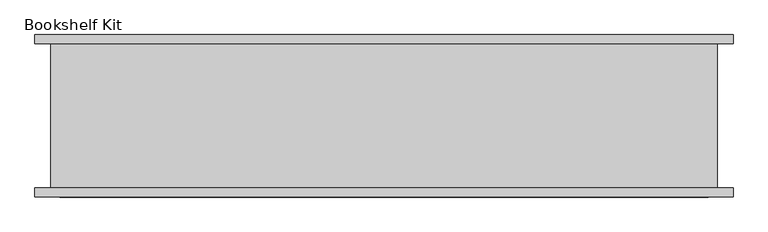
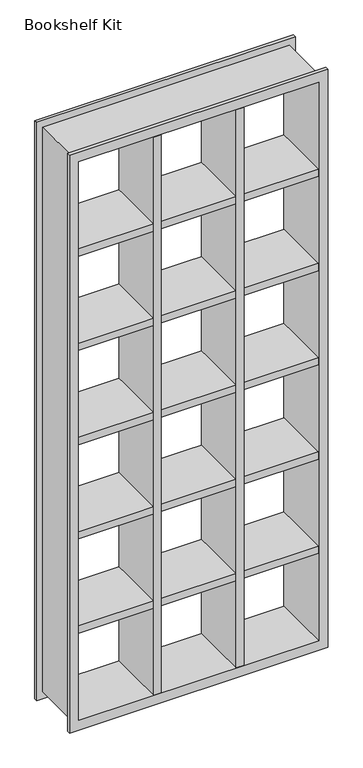
"""IFC4 building model written with IfcOpenShell, lengths in millimetres: proxy geometry, Bookshelf Kit."""

from ifc_helpers import new_model, si_unit, frame, origin, place, context, project, spatial, polyline, outline, extrude, faceted_brep, source, transform, mapped, element, save


def bookshelf_kit_4247df9f(model_context):
    return source(origin(), model_context, "Body", "SolidModel", [
        faceted_brep([(-618.3338588, -10.97958, 3012.6), (-618.3338588, 255.82042, 3012.6), (-618.3338588, 255.82042, 35.4), (-618.3338588, -10.97958, 35.4), (-601.7338588, 272.42042, 2996.0), (-601.7338588, -27.57958, 2996.0), (-601.7338588, -27.57958, 52.0), (-601.7338588, 272.42042, 52.0), (-647.7338588, 272.42042, 0.0), (642.6105412, 272.42042, 0.0), (642.6105412, 255.82042, 0.0), (-647.7338588, 255.82042, 0.0), (613.2105412, 255.82042, 35.4), (613.2105412, -10.97958, 35.4), (-647.7338588, -10.97958, 0.0), (642.6105412, -10.97958, 0.0), (642.6105412, -27.57958, 0.0), (-647.7338588, -27.57958, 0.0), (596.6105412, -27.57958, 52.0), (596.6105412, 272.42042, 52.0), (613.2105412, 255.82042, 3012.6), (613.2105412, -10.97958, 3012.6), (596.6105412, -27.57958, 2996.0), (596.6105412, 272.42042, 2996.0), (-647.7338588, 272.42042, 3048.0), (642.6105412, 272.42042, 3048.0), (-647.7338588, 255.82042, 3048.0), (642.6105412, 255.82042, 3048.0), (-647.7338588, -10.97958, 3048.0), (642.6105412, -10.97958, 3048.0), (-647.7338588, -27.57958, 3048.0), (642.6105412, -27.57958, 3048.0)], [[[0, 1, 2, 3]], [[4, 5, 6, 7]], [[8, 9, 10, 11]], [[3, 2, 12, 13]], [[14, 15, 16, 17]], [[7, 6, 18, 19]], [[13, 12, 20, 21]], [[19, 18, 22, 23]], [[9, 8, 24, 25], [4, 7, 19, 23]], [[25, 24, 26, 27]], [[11, 10, 27, 26], [2, 1, 20, 12]], [[1, 0, 21, 20]], [[15, 14, 28, 29], [0, 3, 13, 21]], [[29, 28, 30, 31]], [[17, 16, 31, 30], [6, 5, 22, 18]], [[5, 4, 23, 22]], [[8, 11, 26, 24]], [[14, 17, 30, 28]], [[10, 9, 25, 27]], [[16, 15, 29, 31]]]),
        extrude(outline(polyline([(-189.5899588, 272.42042), (-189.5899588, -27.57958), (-227.6899588, -27.57958), (-227.6899588, 272.42042), (-189.5899588, 272.42042)])), frame((0.0, 0.0, 52.0), z_axis=(0.0, 0.0, 1.0), x_axis=(1.0, 0.0, 0.0)), (0.0, 0.0, 1.0), 2944.0),
        extrude(outline(polyline([(222.5666412, 272.42042), (222.5666412, -27.57958), (184.4666412, -27.57958), (184.4666412, 272.42042), (222.5666412, 272.42042)])), frame((0.0, 0.0, 52.0), z_axis=(0.0, 0.0, 1.0), x_axis=(1.0, 0.0, 0.0)), (0.0, 0.0, 1.0), 2944.0),
        extrude(outline(polyline([(-601.7338588, 271.42042), (596.6105412, 271.42042), (596.6105412, -26.57958), (-601.7338588, -26.57958), (-601.7338588, 271.42042)])), frame((0.0, 0.0, 2498.9833333), z_axis=(0.0, 0.0, 1.0), x_axis=(1.0, 0.0, 0.0)), (0.0, 0.0, 1.0), 38.1),
        extrude(outline(polyline([(-601.7338588, 271.42042), (596.6105412, 271.42042), (596.6105412, -26.57958), (-601.7338588, -26.57958), (-601.7338588, 271.42042)])), frame((0.0, 0.0, 2001.9666667), z_axis=(0.0, 0.0, 1.0), x_axis=(1.0, 0.0, 0.0)), (0.0, 0.0, 1.0), 38.1),
        extrude(outline(polyline([(-601.7338588, 271.42042), (596.6105412, 271.42042), (596.6105412, -26.57958), (-601.7338588, -26.57958), (-601.7338588, 271.42042)])), frame((0.0, 0.0, 1504.95), z_axis=(0.0, 0.0, 1.0), x_axis=(1.0, 0.0, 0.0)), (0.0, 0.0, 1.0), 38.1),
        extrude(outline(polyline([(-601.7338588, 271.42042), (596.6105412, 271.42042), (596.6105412, -26.57958), (-601.7338588, -26.57958), (-601.7338588, 271.42042)])), frame((0.0, 0.0, 1007.9333333), z_axis=(0.0, 0.0, 1.0), x_axis=(1.0, 0.0, 0.0)), (0.0, 0.0, 1.0), 38.1),
        extrude(outline(polyline([(-601.7338588, 271.42042), (596.6105412, 271.42042), (596.6105412, -26.57958), (-601.7338588, -26.57958), (-601.7338588, 271.42042)])), frame((0.0, 0.0, 510.9166667), z_axis=(0.0, 0.0, 1.0), x_axis=(1.0, 0.0, 0.0)), (0.0, 0.0, 1.0), 38.1),
    ])


if __name__ == "__main__":
    model = new_model("IFC4")
    model_context = context("Model", 3, world=origin())
    ifc_project = project(units=[si_unit("LENGTHUNIT", "METRE", prefix="MILLI")], contexts=[model_context])
    site = spatial("IfcSite", under=ifc_project)
    building = spatial("IfcBuilding", under=site)
    placement = place(None, origin())
    bookshelf_kit_shape = bookshelf_kit_4247df9f(model_context)
    element("IfcBuildingElementProxy", 1, Name="Bookshelf Kit", ObjectType="Bookshelf Kit", at=placement, inside=building, context=model_context, shape_type="MappedRepresentation", body=[
        mapped(bookshelf_kit_shape, transform((0.0, 0.0, 0.0), x_axis=(1.0, 0.0, 0.0), y_axis=(0.0, 1.0, 0.0), z_axis=(0.0, 0.0, 1.0))),
    ])
    save(model, "model.ifc")
